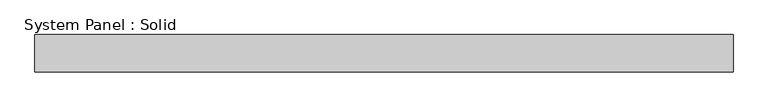
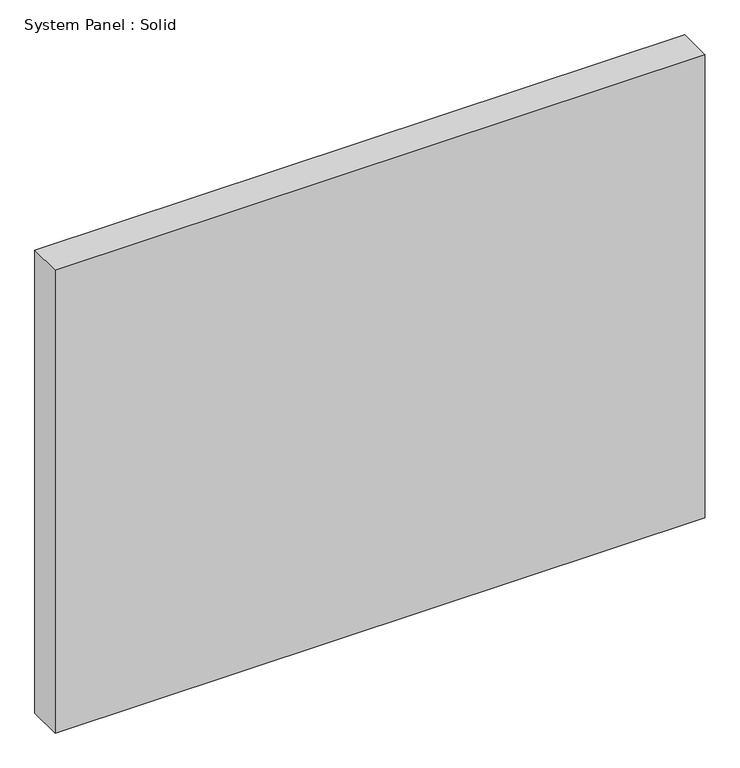
"""IFC4 building model written with IfcOpenShell, lengths in millimetres: plate geometry, System Panel : Solid."""

from ifc_helpers import new_model, si_unit, origin, origin_with_axes, place, context, project, spatial, polyline, outline, extrude, source, transform, mapped, element, save


def system_panel_solid_d679321d(model_context):
    return source(origin(), model_context, "Body", "SweptSolid", [
        extrude(outline(polyline([(590.55, -44.45), (-590.55, -44.45), (-590.55, 19.05), (590.55, 19.05), (590.55, -44.45)])), origin_with_axes(), (0.0, 0.0, 1.0), 889.0),
    ])


if __name__ == "__main__":
    model = new_model("IFC4")
    model_context = context("Model", 3, world=origin())
    ifc_project = project(units=[si_unit("LENGTHUNIT", "METRE", prefix="MILLI")], contexts=[model_context])
    site = spatial("IfcSite", under=ifc_project)
    building = spatial("IfcBuilding", under=site)
    placement = place(None, origin())
    system_panel_solid_shape = system_panel_solid_d679321d(model_context)
    element("IfcPlate", 1, ObjectType="System Panel : Solid", at=placement, inside=building, context=model_context, shape_type="MappedRepresentation", body=[
        mapped(system_panel_solid_shape, transform((0.0, 0.0, 0.0), x_axis=(1.0, 0.0, 0.0), y_axis=(0.0, 1.0, 0.0), z_axis=(0.0, 0.0, 1.0))),
    ])
    save(model, "model.ifc")
